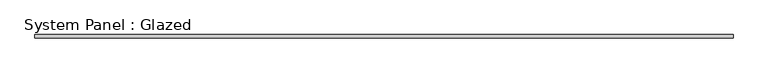
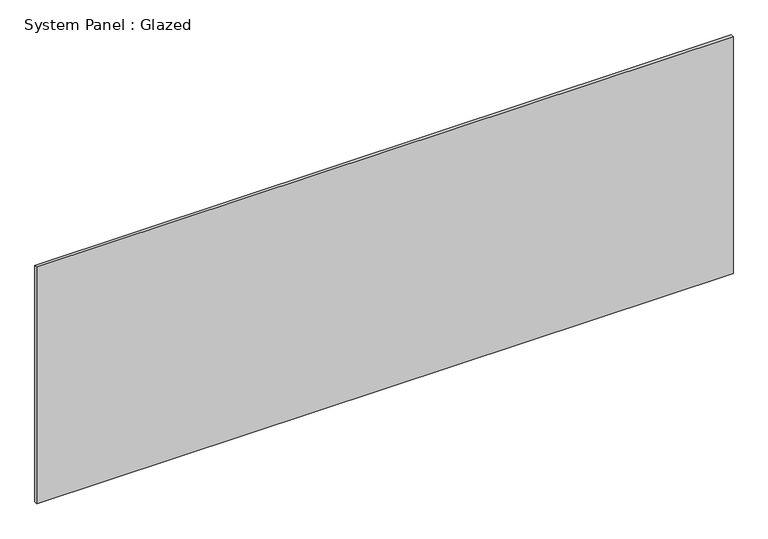
"""IFC4 building model written with IfcOpenShell, lengths in millimetres: plate geometry, System Panel : Glazed."""

from ifc_helpers import new_model, si_unit, origin, origin_with_axes, place, context, project, spatial, polyline, outline, extrude, source, transform, mapped, element, save


def system_panel_glazed_b52af98d(model_context):
    return source(origin(), model_context, "Body", "SweptSolid", [
        extrude(outline(polyline([(2780.0018318, 24.5), (-2780.0018318, 24.5), (-2780.0018318, 49.5), (2780.0018318, 49.5), (2780.0018318, 24.5)])), origin_with_axes(), (0.0, 0.0, 1.0), 2000.0),
    ])


if __name__ == "__main__":
    model = new_model("IFC4")
    model_context = context("Model", 3, world=origin())
    ifc_project = project(units=[si_unit("LENGTHUNIT", "METRE", prefix="MILLI")], contexts=[model_context])
    site = spatial("IfcSite", under=ifc_project)
    building = spatial("IfcBuilding", under=site)
    placement = place(None, origin())
    system_panel_glazed_shape = system_panel_glazed_b52af98d(model_context)
    element("IfcPlate", 1, ObjectType="System Panel : Glazed", at=placement, inside=building, context=model_context, shape_type="MappedRepresentation", body=[
        mapped(system_panel_glazed_shape, transform((0.0, 0.0, 0.0), x_axis=(1.0, 0.0, 0.0), y_axis=(0.0, 1.0, 0.0), z_axis=(0.0, 0.0, 1.0))),
    ])
    save(model, "model.ifc")
